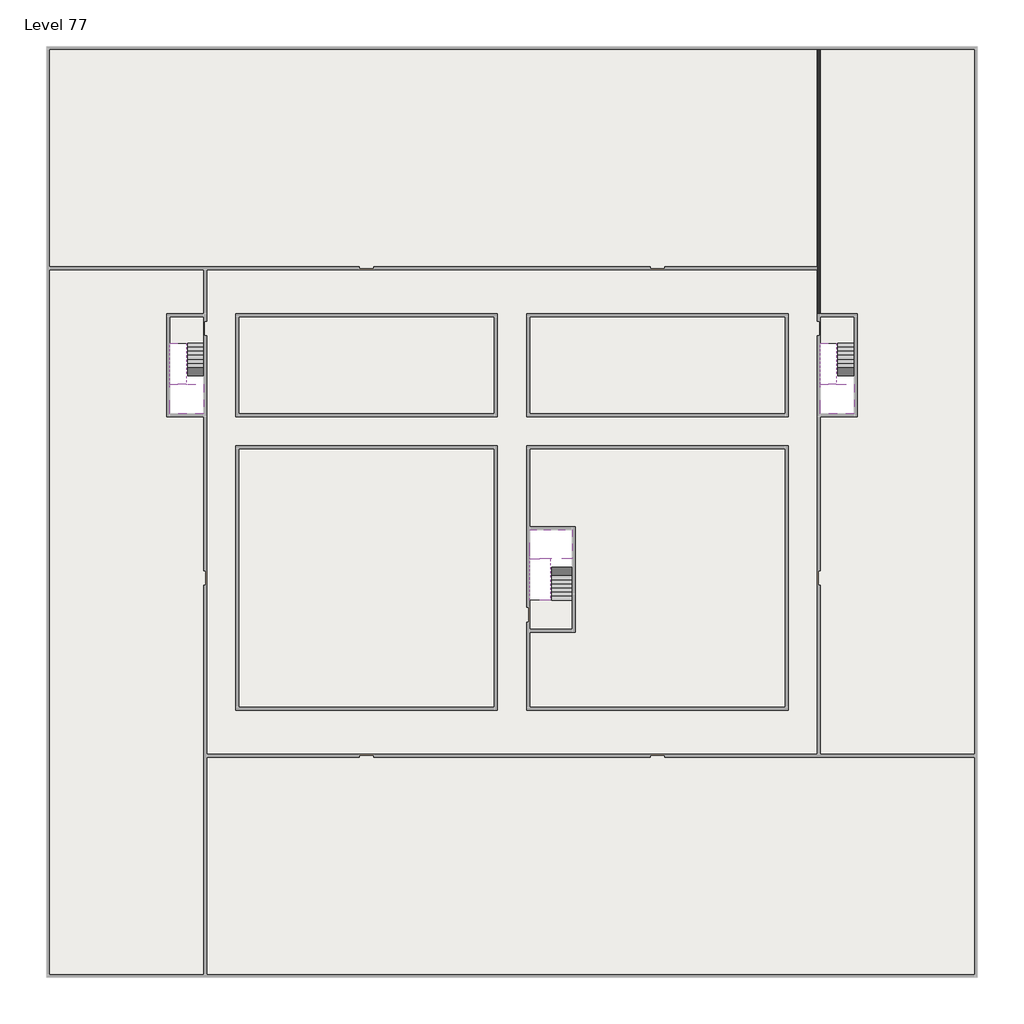
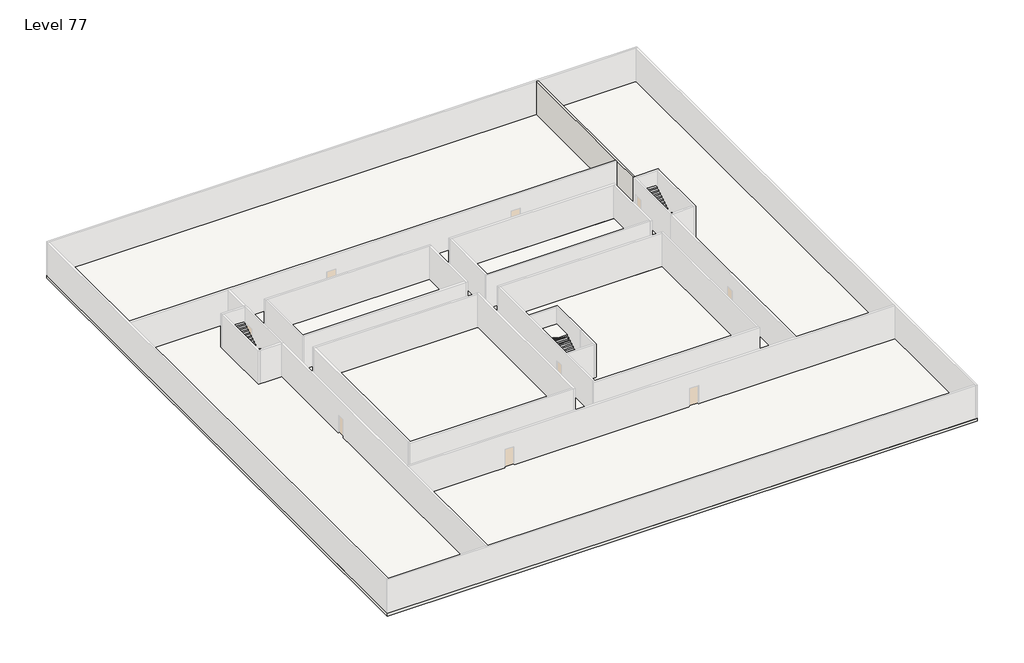
# One storey, part 2 of 2: 6 slabs, 6 stair flights, 1 wall.
"""IFC4 building model written with IfcOpenShell, lengths in millimetres."""

from ifc_helpers import new_model, si_unit, frame, origin, place, context, project, spatial, polyline, outline, extrude, faceted_brep, element, save

model = new_model("IFC4")

# Units and contexts
model_context = context("Model", 3, world=origin())
ifc_project = project(units=[si_unit("LENGTHUNIT", "METRE", prefix="MILLI")], contexts=[model_context])

# Site, building, storey
site = spatial("IfcSite", under=ifc_project)
building = spatial("IfcBuilding", under=site)
storey = spatial("IfcBuildingStorey", under=building, Name="Level 77", Elevation=288800.0)

# Slabs
placement = place(None, origin())
element("IfcSlab", 1, at=placement, inside=storey, context=model_context, shape_type="SweptSolid", body=[
    extrude(outline(polyline([(55890.1058784, -5518.09644), (55890.1058784, -68918.09644), (-7509.8941216, -68918.09644), (-7509.8941216, -5518.09644), (55890.1058784, -5518.09644)]), holes=[polyline([(22990.1058784, -23918.09644), (5590.1058784, -23918.09644), (5590.1058784, -30518.09644), (22990.1058784, -30518.09644), (22990.1058784, -23918.09644)]), polyline([(42990.1058784, -23918.09644), (25390.1058784, -23918.09644), (25390.1058784, -30518.09644), (42990.1058784, -30518.09644), (42990.1058784, -23918.09644)]), polyline([(25390.1058784, -50518.09644), (42790.1058784, -50518.09644), (42790.1058784, -32918.09644), (25390.1058784, -32918.09644), (25390.1058784, -50518.09644)]), polyline([(22990.1058784, -32918.09644), (5590.1058784, -32918.09644), (5590.1058784, -50518.09644), (22990.1058784, -50518.09644), (22990.1058784, -32918.09644)]), polyline([(3190.1058784, -23918.09644), (890.1058784, -23918.09644), (890.1058784, -30518.09644), (3190.1058784, -30518.09644), (3190.1058784, -23918.09644)]), polyline([(47490.1058784, -23918.09644), (45190.1058784, -23918.09644), (45190.1058784, -30518.09644), (47490.1058784, -30518.09644), (47490.1058784, -23918.09644)])]), frame((0.0, 0.0, 288500.0), z_axis=(0.0, 0.0, 1.0), x_axis=(1.0, 0.0, 0.0)), (0.0, 0.0, 1.0), 300.0),
])
element("IfcSlab", 2, at=placement, inside=storey, context=model_context, shape_type="SweptSolid", body=[
    extrude(outline(polyline([(22990.1058784, -23918.09644), (22990.1058784, -30518.09644), (5590.1058784, -30518.09644), (5590.1058784, -23918.09644), (22990.1058784, -23918.09644)])), frame((0.0, 0.0, 288500.0), z_axis=(0.0, 0.0, 1.0), x_axis=(1.0, 0.0, 0.0)), (0.0, 0.0, 1.0), 300.0),
    extrude(outline(polyline([(42990.1058784, -23918.09644), (42990.1058784, -30518.09644), (25390.1058784, -30518.09644), (25390.1058784, -23918.09644), (42990.1058784, -23918.09644)])), frame((0.0, 0.0, 288500.0), z_axis=(0.0, 0.0, 1.0), x_axis=(1.0, 0.0, 0.0)), (0.0, 0.0, 1.0), 300.0),
    extrude(outline(polyline([(22990.1058784, -32918.09644), (22990.1058784, -50518.09644), (5590.1058784, -50518.09644), (5590.1058784, -32918.09644), (22990.1058784, -32918.09644)])), frame((0.0, 0.0, 288500.0), z_axis=(0.0, 0.0, 1.0), x_axis=(1.0, 0.0, 0.0)), (0.0, 0.0, 1.0), 300.0),
    extrude(outline(polyline([(25390.1058784, -38218.09644), (25390.1058784, -32918.09644), (42790.1058784, -32918.09644), (42790.1058784, -50518.09644), (25390.1058784, -50518.09644), (25390.1058784, -45418.09644), (28490.1058784, -45418.09644), (28490.1058784, -38218.09644), (25390.1058784, -38218.09644)])), frame((0.0, 0.0, 288500.0), z_axis=(0.0, 0.0, 1.0), x_axis=(1.0, 0.0, 0.0)), (0.0, 0.0, 1.0), 300.0),
])
element("IfcSlab", 3, at=placement, inside=storey, context=model_context, shape_type="Brep", body=[
    faceted_brep([(3190.1058784, -28518.09644, 290700.0), (2090.1058784, -28518.09644, 290700.0), (1990.1058784, -28518.09644, 290700.0), (890.1058784, -28518.09644, 290700.0), (890.1058784, -28718.7100038, 290700.0), (890.1058784, -30518.09644, 290700.0), (3190.1058784, -30518.09644, 290700.0), (3190.1058784, -28597.4828763, 290700.0), (3190.1058784, -28518.09644, 290527.2727273), (3190.1058784, -28518.09644, 290351.0278478), (2090.1058784, -28518.09644, 290351.0278478), (2090.1058784, -28518.09644, 290400.0), (1990.1058784, -28518.09644, 290400.0), (1990.1058784, -28518.09644, 290523.7551205), (890.1058784, -28518.09644, 290523.7551205), (890.1058784, -28718.7100038, 290400.0), (890.1058784, -30518.09644, 290400.0), (3190.1058784, -30518.09644, 290400.0), (3190.1058784, -28597.4828763, 290400.0), (1990.1058784, -28718.7100038, 290400.0), (2090.1058784, -28597.4828763, 290400.0)], [[[0, 1, 2, 3, 4, 5, 6, 7]], [[1, 0, 8, 9, 10, 11]], [[2, 1, 11, 12, 13]], [[3, 2, 13, 14]], [[3, 14, 15, 16, 5, 4]], [[6, 5, 16, 17]], [[9, 8, 0, 7, 6, 17, 18]], [[19, 12, 11, 20, 18, 17, 16, 15]], [[12, 19, 13]], [[18, 20, 10, 9]], [[20, 11, 10]], [[19, 15, 14, 13]]]),
])
element("IfcSlab", 4, at=placement, inside=storey, context=model_context, shape_type="Brep", body=[
    faceted_brep([(47490.1058784, -28518.09644, 290700.0), (46390.1058784, -28518.09644, 290700.0), (46290.1058784, -28518.09644, 290700.0), (45190.1058784, -28518.09644, 290700.0), (45190.1058784, -28718.7100038, 290700.0), (45190.1058784, -30518.09644, 290700.0), (47490.1058784, -30518.09644, 290700.0), (47490.1058784, -28597.4828763, 290700.0), (47490.1058784, -28518.09644, 290527.2727273), (47490.1058784, -28518.09644, 290351.0278478), (46390.1058784, -28518.09644, 290351.0278478), (46390.1058784, -28518.09644, 290400.0), (46290.1058784, -28518.09644, 290400.0), (46290.1058784, -28518.09644, 290523.7551205), (45190.1058784, -28518.09644, 290523.7551205), (45190.1058784, -28718.7100038, 290400.0), (45190.1058784, -30518.09644, 290400.0), (47490.1058784, -30518.09644, 290400.0), (47490.1058784, -28597.4828763, 290400.0), (46290.1058784, -28718.7100038, 290400.0), (46390.1058784, -28597.4828763, 290400.0)], [[[0, 1, 2, 3, 4, 5, 6, 7]], [[1, 0, 8, 9, 10, 11]], [[2, 1, 11, 12, 13]], [[3, 2, 13, 14]], [[3, 14, 15, 16, 5, 4]], [[6, 5, 16, 17]], [[9, 8, 0, 7, 6, 17, 18]], [[19, 12, 11, 20, 18, 17, 16, 15]], [[12, 19, 13]], [[18, 20, 10, 9]], [[20, 11, 10]], [[19, 15, 14, 13]]]),
])
element("IfcSlab", 5, at=placement, inside=storey, context=model_context, shape_type="Brep", body=[
    faceted_brep([(26890.1058784, -40418.09644, 290700.0), (28290.1058784, -40418.09644, 290700.0), (28290.1058784, -40338.7100038, 290700.0), (28290.1058784, -38418.09644, 290700.0), (25390.1058784, -38418.09644, 290700.0), (25390.1058784, -40217.4828763, 290700.0), (25390.1058784, -40418.09644, 290700.0), (26790.1058784, -40418.09644, 290700.0), (26890.1058784, -40418.09644, 290400.0), (26890.1058784, -40418.09644, 290351.0278478), (28290.1058784, -40418.09644, 290351.0278478), (28290.1058784, -40418.09644, 290527.2727273), (28290.1058784, -40338.7100038, 290400.0), (28290.1058784, -38418.09644, 290400.0), (25390.1058784, -38418.09644, 290400.0), (25390.1058784, -40217.4828763, 290400.0), (25390.1058784, -40418.09644, 290523.7551205), (26790.1058784, -40418.09644, 290523.7551205), (26790.1058784, -40418.09644, 290400.0), (26790.1058784, -40217.4828763, 290400.0), (26890.1058784, -40338.7100038, 290400.0)], [[[0, 1, 2, 3, 4, 5, 6, 7]], [[1, 0, 8, 9, 10, 11]], [[1, 11, 10, 12, 13, 3, 2]], [[4, 3, 13, 14]], [[4, 14, 15, 16, 6, 5]], [[7, 6, 16, 17]], [[0, 7, 17, 18, 8]], [[18, 19, 15, 14, 13, 12, 20, 8]], [[19, 18, 17]], [[20, 12, 10, 9]], [[8, 20, 9]], [[15, 19, 17, 16]]]),
])
element("IfcSlab", 6, at=placement, inside=storey, context=model_context, shape_type="SweptSolid", body=[
    extrude(outline(polyline([(3190.1058784, -23918.09644), (3190.1058784, -25718.09644), (890.1058784, -25718.09644), (890.1058784, -23918.09644), (3190.1058784, -23918.09644)])), frame((0.0, 0.0, 288500.0), z_axis=(0.0, 0.0, 1.0), x_axis=(1.0, 0.0, 0.0)), (0.0, 0.0, 1.0), 300.0),
    extrude(outline(polyline([(47490.1058784, -23918.09644), (47490.1058784, -25718.09644), (45190.1058784, -25718.09644), (45190.1058784, -23918.09644), (47490.1058784, -23918.09644)])), frame((0.0, 0.0, 288500.0), z_axis=(0.0, 0.0, 1.0), x_axis=(1.0, 0.0, 0.0)), (0.0, 0.0, 1.0), 300.0),
    extrude(outline(polyline([(28290.1058784, -43218.09644), (28290.1058784, -45218.09644), (25390.1058784, -45218.09644), (25390.1058784, -43218.09644), (28290.1058784, -43218.09644)])), frame((0.0, 0.0, 288500.0), z_axis=(0.0, 0.0, 1.0), x_axis=(1.0, 0.0, 0.0)), (0.0, 0.0, 1.0), 300.0),
])

# Stair flights
element("IfcStairFlight", 7, at=placement, inside=storey, context=model_context, shape_type="Brep", body=[
    faceted_brep([(3190.1058784, -25998.09644, 288972.7272727), (3190.1058784, -25718.09644, 288972.7272727), (2090.1058784, -25718.09644, 288972.7272727), (2090.1058784, -25998.09644, 288972.7272727), (3190.1058784, -25998.09644, 288800.0), (3190.1058784, -25718.09644, 288800.0), (2090.1058784, -25718.09644, 288800.0), (2090.1058784, -25998.09644, 288800.0), (3190.1058784, -26278.09644, 289145.4545455), (3190.1058784, -25998.09644, 289145.4545455), (2090.1058784, -25998.09644, 289145.4545455), (2090.1058784, -26278.09644, 289145.4545455), (3190.1058784, -26278.09644, 288969.209666), (3190.1058784, -26003.7986657, 288800.0), (2090.1058784, -26003.7986657, 288800.0), (2090.1058784, -26278.09644, 288969.209666), (3190.1058784, -26558.09644, 289318.1818182), (3190.1058784, -26278.09644, 289318.1818182), (2090.1058784, -26278.09644, 289318.1818182), (2090.1058784, -26558.09644, 289318.1818182), (3190.1058784, -26558.09644, 289141.9369387), (2090.1058784, -26558.09644, 289141.9369387), (3190.1058784, -26838.09644, 289490.9090909), (3190.1058784, -26558.09644, 289490.9090909), (2090.1058784, -26558.09644, 289490.9090909), (2090.1058784, -26838.09644, 289490.9090909), (3190.1058784, -26838.09644, 289314.6642114), (2090.1058784, -26838.09644, 289314.6642114), (3190.1058784, -27118.09644, 289663.6363636), (3190.1058784, -26838.09644, 289663.6363636), (2090.1058784, -26838.09644, 289663.6363636), (2090.1058784, -27118.09644, 289663.6363636), (3190.1058784, -27118.09644, 289487.3914841), (2090.1058784, -27118.09644, 289487.3914841), (3190.1058784, -27398.09644, 289836.3636364), (3190.1058784, -27118.09644, 289836.3636364), (2090.1058784, -27118.09644, 289836.3636364), (2090.1058784, -27398.09644, 289836.3636364), (3190.1058784, -27398.09644, 289660.1187569), (2090.1058784, -27398.09644, 289660.1187569), (3190.1058784, -27678.09644, 290009.0909091), (3190.1058784, -27398.09644, 290009.0909091), (2090.1058784, -27398.09644, 290009.0909091), (2090.1058784, -27678.09644, 290009.0909091), (3190.1058784, -27678.09644, 289832.8460296), (2090.1058784, -27678.09644, 289832.8460296), (3190.1058784, -27958.09644, 290181.8181818), (3190.1058784, -27678.09644, 290181.8181818), (2090.1058784, -27678.09644, 290181.8181818), (2090.1058784, -27958.09644, 290181.8181818), (3190.1058784, -27958.09644, 290005.5733023), (2090.1058784, -27958.09644, 290005.5733023), (3190.1058784, -28238.09644, 290354.5454545), (3190.1058784, -27958.09644, 290354.5454545), (2090.1058784, -27958.09644, 290354.5454545), (2090.1058784, -28238.09644, 290354.5454545), (3190.1058784, -28238.09644, 290178.3005751), (2090.1058784, -28238.09644, 290178.3005751), (3190.1058784, -28518.09644, 290527.2727273), (3190.1058784, -28238.09644, 290527.2727273), (2090.1058784, -28238.09644, 290527.2727273), (2090.1058784, -28518.09644, 290527.2727273), (3190.1058784, -28518.09644, 290351.0278478), (2090.1058784, -28518.09644, 290351.0278478), (2090.1058784, -28518.09644, 290400.0)], [[[0, 1, 2, 3]], [[1, 0, 4, 5]], [[2, 1, 5, 6]], [[3, 2, 6, 7]], [[8, 9, 10, 11]], [[4, 0, 9, 8, 12, 13]], [[0, 3, 10, 9]], [[3, 7, 14, 15, 11, 10]], [[16, 17, 18, 19]], [[17, 16, 20, 12, 8]], [[8, 11, 18, 17]], [[19, 18, 11, 15, 21]], [[22, 23, 24, 25]], [[23, 22, 26, 20, 16]], [[16, 19, 24, 23]], [[25, 24, 19, 21, 27]], [[28, 29, 30, 31]], [[29, 28, 32, 26, 22]], [[22, 25, 30, 29]], [[31, 30, 25, 27, 33]], [[34, 35, 36, 37]], [[35, 34, 38, 32, 28]], [[28, 31, 36, 35]], [[37, 36, 31, 33, 39]], [[40, 41, 42, 43]], [[41, 40, 44, 38, 34]], [[34, 37, 42, 41]], [[43, 42, 37, 39, 45]], [[46, 47, 48, 49]], [[47, 46, 50, 44, 40]], [[40, 43, 48, 47]], [[49, 48, 43, 45, 51]], [[52, 53, 54, 55]], [[53, 52, 56, 50, 46]], [[46, 49, 54, 53]], [[55, 54, 49, 51, 57]], [[58, 59, 60, 61]], [[59, 58, 62, 56, 52]], [[52, 55, 60, 59]], [[61, 60, 55, 57, 63, 64]], [[58, 61, 64, 63, 62]], [[5, 4, 13, 14, 7, 6]], [[14, 13, 12, 20, 26, 32, 38, 44, 50, 56, 62, 63, 57, 51, 45, 39, 33, 27, 21, 15]]]),
])
element("IfcStairFlight", 8, at=placement, inside=storey, context=model_context, shape_type="Brep", body=[
    faceted_brep([(890.1058784, -28238.09644, 290872.7272727), (890.1058784, -28518.09644, 290872.7272727), (1990.1058784, -28518.09644, 290872.7272727), (1990.1058784, -28238.09644, 290872.7272727), (890.1058784, -28238.09644, 290696.4823932), (890.1058784, -28518.09644, 290523.7551205), (890.1058784, -28518.09644, 290700.0), (1990.1058784, -28518.09644, 290523.7551205), (1990.1058784, -28238.09644, 290696.4823932), (890.1058784, -27958.09644, 291045.4545455), (890.1058784, -28238.09644, 291045.4545455), (1990.1058784, -28238.09644, 291045.4545455), (1990.1058784, -27958.09644, 291045.4545455), (890.1058784, -27958.09644, 290869.209666), (1990.1058784, -27958.09644, 290869.209666), (890.1058784, -27678.09644, 291218.1818182), (890.1058784, -27958.09644, 291218.1818182), (1990.1058784, -27958.09644, 291218.1818182), (1990.1058784, -27678.09644, 291218.1818182), (890.1058784, -27678.09644, 291041.9369387), (1990.1058784, -27678.09644, 291041.9369387), (890.1058784, -27398.09644, 291390.9090909), (890.1058784, -27678.09644, 291390.9090909), (1990.1058784, -27678.09644, 291390.9090909), (1990.1058784, -27398.09644, 291390.9090909), (890.1058784, -27398.09644, 291214.6642114), (1990.1058784, -27398.09644, 291214.6642114), (890.1058784, -27118.09644, 291563.6363636), (890.1058784, -27398.09644, 291563.6363636), (1990.1058784, -27398.09644, 291563.6363636), (1990.1058784, -27118.09644, 291563.6363636), (890.1058784, -27118.09644, 291387.3914841), (1990.1058784, -27118.09644, 291387.3914841), (890.1058784, -26838.09644, 291736.3636364), (890.1058784, -27118.09644, 291736.3636364), (1990.1058784, -27118.09644, 291736.3636364), (1990.1058784, -26838.09644, 291736.3636364), (890.1058784, -26838.09644, 291560.1187569), (1990.1058784, -26838.09644, 291560.1187569), (890.1058784, -26558.09644, 291909.0909091), (890.1058784, -26838.09644, 291909.0909091), (1990.1058784, -26838.09644, 291909.0909091), (1990.1058784, -26558.09644, 291909.0909091), (890.1058784, -26558.09644, 291732.8460296), (1990.1058784, -26558.09644, 291732.8460296), (890.1058784, -26278.09644, 292081.8181818), (890.1058784, -26558.09644, 292081.8181818), (1990.1058784, -26558.09644, 292081.8181818), (1990.1058784, -26278.09644, 292081.8181818), (890.1058784, -26278.09644, 291905.5733023), (1990.1058784, -26278.09644, 291905.5733023), (890.1058784, -25998.09644, 292254.5454545), (890.1058784, -26278.09644, 292254.5454545), (1990.1058784, -26278.09644, 292254.5454545), (1990.1058784, -25998.09644, 292254.5454545), (890.1058784, -25998.09644, 292078.3005751), (1990.1058784, -25998.09644, 292078.3005751), (890.1058784, -25718.09644, 292427.2727273), (890.1058784, -25998.09644, 292427.2727273), (1990.1058784, -25998.09644, 292427.2727273), (1990.1058784, -25718.09644, 292427.2727273), (890.1058784, -25718.09644, 292251.0278478), (1990.1058784, -25718.09644, 292251.0278478)], [[[0, 1, 2, 3]], [[1, 0, 4, 5, 6]], [[2, 1, 6, 5, 7]], [[3, 2, 7, 8]], [[9, 10, 11, 12]], [[10, 9, 13, 4, 0]], [[11, 10, 0, 3]], [[12, 11, 3, 8, 14]], [[15, 16, 17, 18]], [[16, 15, 19, 13, 9]], [[17, 16, 9, 12]], [[18, 17, 12, 14, 20]], [[21, 22, 23, 24]], [[22, 21, 25, 19, 15]], [[23, 22, 15, 18]], [[24, 23, 18, 20, 26]], [[27, 28, 29, 30]], [[28, 27, 31, 25, 21]], [[29, 28, 21, 24]], [[30, 29, 24, 26, 32]], [[33, 34, 35, 36]], [[34, 33, 37, 31, 27]], [[35, 34, 27, 30]], [[36, 35, 30, 32, 38]], [[39, 40, 41, 42]], [[40, 39, 43, 37, 33]], [[41, 40, 33, 36]], [[42, 41, 36, 38, 44]], [[45, 46, 47, 48]], [[46, 45, 49, 43, 39]], [[47, 46, 39, 42]], [[48, 47, 42, 44, 50]], [[51, 52, 53, 54]], [[52, 51, 55, 49, 45]], [[53, 52, 45, 48]], [[54, 53, 48, 50, 56]], [[57, 58, 59, 60]], [[58, 57, 61, 55, 51]], [[59, 58, 51, 54]], [[60, 59, 54, 56, 62]], [[57, 60, 62, 61]], [[5, 4, 13, 19, 25, 31, 37, 43, 49, 55, 61, 62, 56, 50, 44, 38, 32, 26, 20, 14, 8, 7]]]),
])
element("IfcStairFlight", 9, at=placement, inside=storey, context=model_context, shape_type="Brep", body=[
    faceted_brep([(47490.1058784, -25998.09644, 288972.7272727), (47490.1058784, -25718.09644, 288972.7272727), (46390.1058784, -25718.09644, 288972.7272727), (46390.1058784, -25998.09644, 288972.7272727), (47490.1058784, -25998.09644, 288800.0), (47490.1058784, -25718.09644, 288800.0), (46390.1058784, -25718.09644, 288800.0), (46390.1058784, -25998.09644, 288800.0), (47490.1058784, -26278.09644, 289145.4545455), (47490.1058784, -25998.09644, 289145.4545455), (46390.1058784, -25998.09644, 289145.4545455), (46390.1058784, -26278.09644, 289145.4545455), (47490.1058784, -26278.09644, 288969.209666), (47490.1058784, -26003.7986657, 288800.0), (46390.1058784, -26003.7986657, 288800.0), (46390.1058784, -26278.09644, 288969.209666), (47490.1058784, -26558.09644, 289318.1818182), (47490.1058784, -26278.09644, 289318.1818182), (46390.1058784, -26278.09644, 289318.1818182), (46390.1058784, -26558.09644, 289318.1818182), (47490.1058784, -26558.09644, 289141.9369387), (46390.1058784, -26558.09644, 289141.9369387), (47490.1058784, -26838.09644, 289490.9090909), (47490.1058784, -26558.09644, 289490.9090909), (46390.1058784, -26558.09644, 289490.9090909), (46390.1058784, -26838.09644, 289490.9090909), (47490.1058784, -26838.09644, 289314.6642114), (46390.1058784, -26838.09644, 289314.6642114), (47490.1058784, -27118.09644, 289663.6363636), (47490.1058784, -26838.09644, 289663.6363636), (46390.1058784, -26838.09644, 289663.6363636), (46390.1058784, -27118.09644, 289663.6363636), (47490.1058784, -27118.09644, 289487.3914841), (46390.1058784, -27118.09644, 289487.3914841), (47490.1058784, -27398.09644, 289836.3636364), (47490.1058784, -27118.09644, 289836.3636364), (46390.1058784, -27118.09644, 289836.3636364), (46390.1058784, -27398.09644, 289836.3636364), (47490.1058784, -27398.09644, 289660.1187569), (46390.1058784, -27398.09644, 289660.1187569), (47490.1058784, -27678.09644, 290009.0909091), (47490.1058784, -27398.09644, 290009.0909091), (46390.1058784, -27398.09644, 290009.0909091), (46390.1058784, -27678.09644, 290009.0909091), (47490.1058784, -27678.09644, 289832.8460296), (46390.1058784, -27678.09644, 289832.8460296), (47490.1058784, -27958.09644, 290181.8181818), (47490.1058784, -27678.09644, 290181.8181818), (46390.1058784, -27678.09644, 290181.8181818), (46390.1058784, -27958.09644, 290181.8181818), (47490.1058784, -27958.09644, 290005.5733023), (46390.1058784, -27958.09644, 290005.5733023), (47490.1058784, -28238.09644, 290354.5454545), (47490.1058784, -27958.09644, 290354.5454545), (46390.1058784, -27958.09644, 290354.5454545), (46390.1058784, -28238.09644, 290354.5454545), (47490.1058784, -28238.09644, 290178.3005751), (46390.1058784, -28238.09644, 290178.3005751), (47490.1058784, -28518.09644, 290527.2727273), (47490.1058784, -28238.09644, 290527.2727273), (46390.1058784, -28238.09644, 290527.2727273), (46390.1058784, -28518.09644, 290527.2727273), (47490.1058784, -28518.09644, 290351.0278478), (46390.1058784, -28518.09644, 290351.0278478), (46390.1058784, -28518.09644, 290400.0)], [[[0, 1, 2, 3]], [[1, 0, 4, 5]], [[2, 1, 5, 6]], [[3, 2, 6, 7]], [[8, 9, 10, 11]], [[4, 0, 9, 8, 12, 13]], [[0, 3, 10, 9]], [[3, 7, 14, 15, 11, 10]], [[16, 17, 18, 19]], [[17, 16, 20, 12, 8]], [[8, 11, 18, 17]], [[19, 18, 11, 15, 21]], [[22, 23, 24, 25]], [[23, 22, 26, 20, 16]], [[16, 19, 24, 23]], [[25, 24, 19, 21, 27]], [[28, 29, 30, 31]], [[29, 28, 32, 26, 22]], [[22, 25, 30, 29]], [[31, 30, 25, 27, 33]], [[34, 35, 36, 37]], [[35, 34, 38, 32, 28]], [[28, 31, 36, 35]], [[37, 36, 31, 33, 39]], [[40, 41, 42, 43]], [[41, 40, 44, 38, 34]], [[34, 37, 42, 41]], [[43, 42, 37, 39, 45]], [[46, 47, 48, 49]], [[47, 46, 50, 44, 40]], [[40, 43, 48, 47]], [[49, 48, 43, 45, 51]], [[52, 53, 54, 55]], [[53, 52, 56, 50, 46]], [[46, 49, 54, 53]], [[55, 54, 49, 51, 57]], [[58, 59, 60, 61]], [[59, 58, 62, 56, 52]], [[52, 55, 60, 59]], [[61, 60, 55, 57, 63, 64]], [[58, 61, 64, 63, 62]], [[5, 4, 13, 14, 7, 6]], [[14, 13, 12, 20, 26, 32, 38, 44, 50, 56, 62, 63, 57, 51, 45, 39, 33, 27, 21, 15]]]),
])
element("IfcStairFlight", 10, at=placement, inside=storey, context=model_context, shape_type="Brep", body=[
    faceted_brep([(45190.1058784, -28238.09644, 290872.7272727), (45190.1058784, -28518.09644, 290872.7272727), (46290.1058784, -28518.09644, 290872.7272727), (46290.1058784, -28238.09644, 290872.7272727), (45190.1058784, -28238.09644, 290696.4823932), (45190.1058784, -28518.09644, 290523.7551205), (45190.1058784, -28518.09644, 290700.0), (46290.1058784, -28518.09644, 290523.7551205), (46290.1058784, -28238.09644, 290696.4823932), (45190.1058784, -27958.09644, 291045.4545455), (45190.1058784, -28238.09644, 291045.4545455), (46290.1058784, -28238.09644, 291045.4545455), (46290.1058784, -27958.09644, 291045.4545455), (45190.1058784, -27958.09644, 290869.209666), (46290.1058784, -27958.09644, 290869.209666), (45190.1058784, -27678.09644, 291218.1818182), (45190.1058784, -27958.09644, 291218.1818182), (46290.1058784, -27958.09644, 291218.1818182), (46290.1058784, -27678.09644, 291218.1818182), (45190.1058784, -27678.09644, 291041.9369387), (46290.1058784, -27678.09644, 291041.9369387), (45190.1058784, -27398.09644, 291390.9090909), (45190.1058784, -27678.09644, 291390.9090909), (46290.1058784, -27678.09644, 291390.9090909), (46290.1058784, -27398.09644, 291390.9090909), (45190.1058784, -27398.09644, 291214.6642114), (46290.1058784, -27398.09644, 291214.6642114), (45190.1058784, -27118.09644, 291563.6363636), (45190.1058784, -27398.09644, 291563.6363636), (46290.1058784, -27398.09644, 291563.6363636), (46290.1058784, -27118.09644, 291563.6363636), (45190.1058784, -27118.09644, 291387.3914841), (46290.1058784, -27118.09644, 291387.3914841), (45190.1058784, -26838.09644, 291736.3636364), (45190.1058784, -27118.09644, 291736.3636364), (46290.1058784, -27118.09644, 291736.3636364), (46290.1058784, -26838.09644, 291736.3636364), (45190.1058784, -26838.09644, 291560.1187569), (46290.1058784, -26838.09644, 291560.1187569), (45190.1058784, -26558.09644, 291909.0909091), (45190.1058784, -26838.09644, 291909.0909091), (46290.1058784, -26838.09644, 291909.0909091), (46290.1058784, -26558.09644, 291909.0909091), (45190.1058784, -26558.09644, 291732.8460296), (46290.1058784, -26558.09644, 291732.8460296), (45190.1058784, -26278.09644, 292081.8181818), (45190.1058784, -26558.09644, 292081.8181818), (46290.1058784, -26558.09644, 292081.8181818), (46290.1058784, -26278.09644, 292081.8181818), (45190.1058784, -26278.09644, 291905.5733023), (46290.1058784, -26278.09644, 291905.5733023), (45190.1058784, -25998.09644, 292254.5454545), (45190.1058784, -26278.09644, 292254.5454545), (46290.1058784, -26278.09644, 292254.5454545), (46290.1058784, -25998.09644, 292254.5454545), (45190.1058784, -25998.09644, 292078.3005751), (46290.1058784, -25998.09644, 292078.3005751), (45190.1058784, -25718.09644, 292427.2727273), (45190.1058784, -25998.09644, 292427.2727273), (46290.1058784, -25998.09644, 292427.2727273), (46290.1058784, -25718.09644, 292427.2727273), (45190.1058784, -25718.09644, 292251.0278478), (46290.1058784, -25718.09644, 292251.0278478)], [[[0, 1, 2, 3]], [[1, 0, 4, 5, 6]], [[2, 1, 6, 5, 7]], [[3, 2, 7, 8]], [[9, 10, 11, 12]], [[10, 9, 13, 4, 0]], [[11, 10, 0, 3]], [[12, 11, 3, 8, 14]], [[15, 16, 17, 18]], [[16, 15, 19, 13, 9]], [[17, 16, 9, 12]], [[18, 17, 12, 14, 20]], [[21, 22, 23, 24]], [[22, 21, 25, 19, 15]], [[23, 22, 15, 18]], [[24, 23, 18, 20, 26]], [[27, 28, 29, 30]], [[28, 27, 31, 25, 21]], [[29, 28, 21, 24]], [[30, 29, 24, 26, 32]], [[33, 34, 35, 36]], [[34, 33, 37, 31, 27]], [[35, 34, 27, 30]], [[36, 35, 30, 32, 38]], [[39, 40, 41, 42]], [[40, 39, 43, 37, 33]], [[41, 40, 33, 36]], [[42, 41, 36, 38, 44]], [[45, 46, 47, 48]], [[46, 45, 49, 43, 39]], [[47, 46, 39, 42]], [[48, 47, 42, 44, 50]], [[51, 52, 53, 54]], [[52, 51, 55, 49, 45]], [[53, 52, 45, 48]], [[54, 53, 48, 50, 56]], [[57, 58, 59, 60]], [[58, 57, 61, 55, 51]], [[59, 58, 51, 54]], [[60, 59, 54, 56, 62]], [[57, 60, 62, 61]], [[5, 4, 13, 19, 25, 31, 37, 43, 49, 55, 61, 62, 56, 50, 44, 38, 32, 26, 20, 14, 8, 7]]]),
])
element("IfcStairFlight", 11, at=placement, inside=storey, context=model_context, shape_type="Brep", body=[
    faceted_brep([(26890.1058784, -42938.09644, 288972.7272727), (26890.1058784, -43218.09644, 288972.7272727), (28290.1058784, -43218.09644, 288972.7272727), (28290.1058784, -42938.09644, 288972.7272727), (26890.1058784, -42938.09644, 288800.0), (26890.1058784, -43218.09644, 288800.0), (28290.1058784, -43218.09644, 288800.0), (28290.1058784, -42938.09644, 288800.0), (26890.1058784, -42658.09644, 289145.4545455), (26890.1058784, -42938.09644, 289145.4545455), (28290.1058784, -42938.09644, 289145.4545455), (28290.1058784, -42658.09644, 289145.4545455), (26890.1058784, -42658.09644, 288969.209666), (26890.1058784, -42932.3942143, 288800.0), (28290.1058784, -42932.3942143, 288800.0), (28290.1058784, -42658.09644, 288969.209666), (26890.1058784, -42378.09644, 289318.1818182), (26890.1058784, -42658.09644, 289318.1818182), (28290.1058784, -42658.09644, 289318.1818182), (28290.1058784, -42378.09644, 289318.1818182), (26890.1058784, -42378.09644, 289141.9369387), (28290.1058784, -42378.09644, 289141.9369387), (26890.1058784, -42098.09644, 289490.9090909), (26890.1058784, -42378.09644, 289490.9090909), (28290.1058784, -42378.09644, 289490.9090909), (28290.1058784, -42098.09644, 289490.9090909), (26890.1058784, -42098.09644, 289314.6642114), (28290.1058784, -42098.09644, 289314.6642114), (26890.1058784, -41818.09644, 289663.6363636), (26890.1058784, -42098.09644, 289663.6363636), (28290.1058784, -42098.09644, 289663.6363636), (28290.1058784, -41818.09644, 289663.6363636), (26890.1058784, -41818.09644, 289487.3914841), (28290.1058784, -41818.09644, 289487.3914841), (26890.1058784, -41538.09644, 289836.3636364), (26890.1058784, -41818.09644, 289836.3636364), (28290.1058784, -41818.09644, 289836.3636364), (28290.1058784, -41538.09644, 289836.3636364), (26890.1058784, -41538.09644, 289660.1187569), (28290.1058784, -41538.09644, 289660.1187569), (26890.1058784, -41258.09644, 290009.0909091), (26890.1058784, -41538.09644, 290009.0909091), (28290.1058784, -41538.09644, 290009.0909091), (28290.1058784, -41258.09644, 290009.0909091), (26890.1058784, -41258.09644, 289832.8460296), (28290.1058784, -41258.09644, 289832.8460296), (26890.1058784, -40978.09644, 290181.8181818), (26890.1058784, -41258.09644, 290181.8181818), (28290.1058784, -41258.09644, 290181.8181818), (28290.1058784, -40978.09644, 290181.8181818), (26890.1058784, -40978.09644, 290005.5733023), (28290.1058784, -40978.09644, 290005.5733023), (26890.1058784, -40698.09644, 290354.5454545), (26890.1058784, -40978.09644, 290354.5454545), (28290.1058784, -40978.09644, 290354.5454545), (28290.1058784, -40698.09644, 290354.5454545), (26890.1058784, -40698.09644, 290178.3005751), (28290.1058784, -40698.09644, 290178.3005751), (26890.1058784, -40418.09644, 290527.2727273), (26890.1058784, -40698.09644, 290527.2727273), (28290.1058784, -40698.09644, 290527.2727273), (28290.1058784, -40418.09644, 290527.2727273), (26890.1058784, -40418.09644, 290400.0), (26890.1058784, -40418.09644, 290351.0278478), (28290.1058784, -40418.09644, 290351.0278478)], [[[0, 1, 2, 3]], [[1, 0, 4, 5]], [[2, 1, 5, 6]], [[3, 2, 6, 7]], [[8, 9, 10, 11]], [[4, 0, 9, 8, 12, 13]], [[0, 3, 10, 9]], [[3, 7, 14, 15, 11, 10]], [[16, 17, 18, 19]], [[17, 16, 20, 12, 8]], [[8, 11, 18, 17]], [[19, 18, 11, 15, 21]], [[22, 23, 24, 25]], [[23, 22, 26, 20, 16]], [[16, 19, 24, 23]], [[25, 24, 19, 21, 27]], [[28, 29, 30, 31]], [[29, 28, 32, 26, 22]], [[22, 25, 30, 29]], [[31, 30, 25, 27, 33]], [[34, 35, 36, 37]], [[35, 34, 38, 32, 28]], [[28, 31, 36, 35]], [[37, 36, 31, 33, 39]], [[40, 41, 42, 43]], [[41, 40, 44, 38, 34]], [[34, 37, 42, 41]], [[43, 42, 37, 39, 45]], [[46, 47, 48, 49]], [[47, 46, 50, 44, 40]], [[40, 43, 48, 47]], [[49, 48, 43, 45, 51]], [[52, 53, 54, 55]], [[53, 52, 56, 50, 46]], [[46, 49, 54, 53]], [[55, 54, 49, 51, 57]], [[58, 59, 60, 61]], [[59, 58, 62, 63, 56, 52]], [[52, 55, 60, 59]], [[61, 60, 55, 57, 64]], [[58, 61, 64, 63, 62]], [[5, 4, 13, 14, 7, 6]], [[14, 13, 12, 20, 26, 32, 38, 44, 50, 56, 63, 64, 57, 51, 45, 39, 33, 27, 21, 15]]]),
])
element("IfcStairFlight", 12, at=placement, inside=storey, context=model_context, shape_type="Brep", body=[
    faceted_brep([(26790.1058784, -40698.09644, 290872.7272727), (26790.1058784, -40418.09644, 290872.7272727), (25390.1058784, -40418.09644, 290872.7272727), (25390.1058784, -40698.09644, 290872.7272727), (26790.1058784, -40698.09644, 290696.4823932), (26790.1058784, -40418.09644, 290523.7551205), (25390.1058784, -40418.09644, 290523.7551205), (25390.1058784, -40418.09644, 290700.0), (25390.1058784, -40698.09644, 290696.4823932), (26790.1058784, -40978.09644, 291045.4545455), (26790.1058784, -40698.09644, 291045.4545455), (25390.1058784, -40698.09644, 291045.4545455), (25390.1058784, -40978.09644, 291045.4545455), (26790.1058784, -40978.09644, 290869.209666), (25390.1058784, -40978.09644, 290869.209666), (26790.1058784, -41258.09644, 291218.1818182), (26790.1058784, -40978.09644, 291218.1818182), (25390.1058784, -40978.09644, 291218.1818182), (25390.1058784, -41258.09644, 291218.1818182), (26790.1058784, -41258.09644, 291041.9369387), (25390.1058784, -41258.09644, 291041.9369387), (26790.1058784, -41538.09644, 291390.9090909), (26790.1058784, -41258.09644, 291390.9090909), (25390.1058784, -41258.09644, 291390.9090909), (25390.1058784, -41538.09644, 291390.9090909), (26790.1058784, -41538.09644, 291214.6642114), (25390.1058784, -41538.09644, 291214.6642114), (26790.1058784, -41818.09644, 291563.6363636), (26790.1058784, -41538.09644, 291563.6363636), (25390.1058784, -41538.09644, 291563.6363636), (25390.1058784, -41818.09644, 291563.6363636), (26790.1058784, -41818.09644, 291387.3914841), (25390.1058784, -41818.09644, 291387.3914841), (26790.1058784, -42098.09644, 291736.3636364), (26790.1058784, -41818.09644, 291736.3636364), (25390.1058784, -41818.09644, 291736.3636364), (25390.1058784, -42098.09644, 291736.3636364), (26790.1058784, -42098.09644, 291560.1187569), (25390.1058784, -42098.09644, 291560.1187569), (26790.1058784, -42378.09644, 291909.0909091), (26790.1058784, -42098.09644, 291909.0909091), (25390.1058784, -42098.09644, 291909.0909091), (25390.1058784, -42378.09644, 291909.0909091), (26790.1058784, -42378.09644, 291732.8460296), (25390.1058784, -42378.09644, 291732.8460296), (26790.1058784, -42658.09644, 292081.8181818), (26790.1058784, -42378.09644, 292081.8181818), (25390.1058784, -42378.09644, 292081.8181818), (25390.1058784, -42658.09644, 292081.8181818), (26790.1058784, -42658.09644, 291905.5733023), (25390.1058784, -42658.09644, 291905.5733023), (26790.1058784, -42938.09644, 292254.5454545), (26790.1058784, -42658.09644, 292254.5454545), (25390.1058784, -42658.09644, 292254.5454545), (25390.1058784, -42938.09644, 292254.5454545), (26790.1058784, -42938.09644, 292078.3005751), (25390.1058784, -42938.09644, 292078.3005751), (26790.1058784, -43218.09644, 292427.2727273), (26790.1058784, -42938.09644, 292427.2727273), (25390.1058784, -42938.09644, 292427.2727273), (25390.1058784, -43218.09644, 292427.2727273), (26790.1058784, -43218.09644, 292251.0278478), (25390.1058784, -43218.09644, 292251.0278478)], [[[0, 1, 2, 3]], [[1, 0, 4, 5]], [[2, 1, 5, 6, 7]], [[3, 2, 7, 6, 8]], [[9, 10, 11, 12]], [[10, 9, 13, 4, 0]], [[11, 10, 0, 3]], [[12, 11, 3, 8, 14]], [[15, 16, 17, 18]], [[16, 15, 19, 13, 9]], [[17, 16, 9, 12]], [[18, 17, 12, 14, 20]], [[21, 22, 23, 24]], [[22, 21, 25, 19, 15]], [[23, 22, 15, 18]], [[24, 23, 18, 20, 26]], [[27, 28, 29, 30]], [[28, 27, 31, 25, 21]], [[29, 28, 21, 24]], [[30, 29, 24, 26, 32]], [[33, 34, 35, 36]], [[34, 33, 37, 31, 27]], [[35, 34, 27, 30]], [[36, 35, 30, 32, 38]], [[39, 40, 41, 42]], [[40, 39, 43, 37, 33]], [[41, 40, 33, 36]], [[42, 41, 36, 38, 44]], [[45, 46, 47, 48]], [[46, 45, 49, 43, 39]], [[47, 46, 39, 42]], [[48, 47, 42, 44, 50]], [[51, 52, 53, 54]], [[52, 51, 55, 49, 45]], [[53, 52, 45, 48]], [[54, 53, 48, 50, 56]], [[57, 58, 59, 60]], [[58, 57, 61, 55, 51]], [[59, 58, 51, 54]], [[60, 59, 54, 56, 62]], [[57, 60, 62, 61]], [[5, 4, 13, 19, 25, 31, 37, 43, 49, 55, 61, 62, 56, 50, 44, 38, 32, 26, 20, 14, 8, 6]]]),
])

# Wall
element("IfcWall", 13, at=placement, inside=storey, context=model_context, shape_type="Brep", body=[
    faceted_brep([(45190.1058784, -23718.09644, 288800.0), (45190.1058784, -5718.09644, 288800.0), (45190.1058784, -5718.09644, 292600.0), (45190.1058784, -23718.09644, 292600.0), (44990.1058784, -23718.09644, 288800.0), (44990.1058784, -23718.09644, 292600.0), (44990.1058784, -20718.09644, 292600.0), (44990.1058784, -20518.09644, 292600.0), (44990.1058784, -5718.09644, 292600.0), (44990.1058784, -5718.09644, 288800.0), (44990.1058784, -20518.09644, 288800.0), (44990.1058784, -20718.09644, 288800.0)], [[[0, 1, 2, 3]], [[4, 5, 6, 7, 8, 9, 10, 11]], [[1, 0, 4, 11, 10, 9]], [[3, 2, 8, 7, 6, 5]], [[0, 3, 5, 4]], [[2, 1, 9, 8]]]),
])

save(model, "model.ifc")
